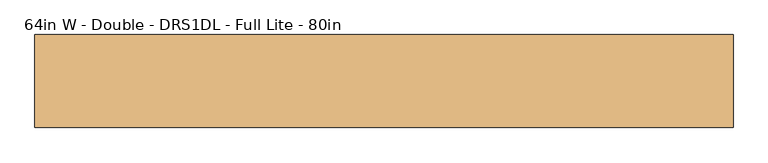
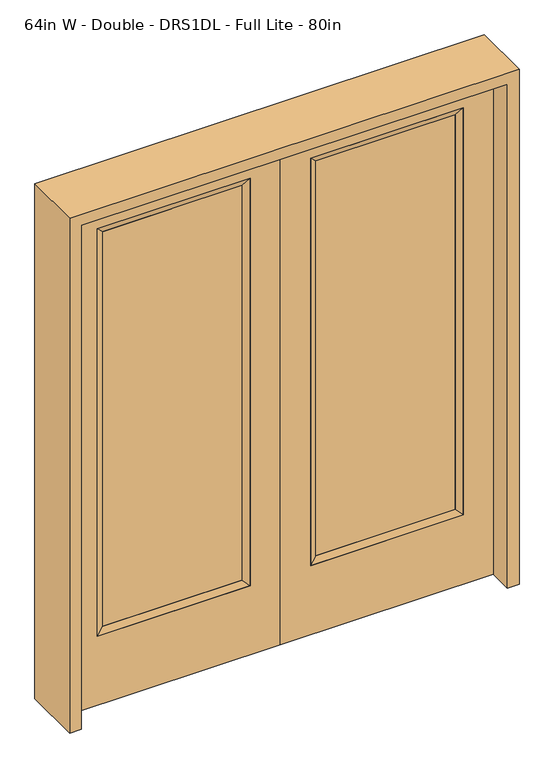
"""IFC4 building model written with IfcOpenShell, lengths in millimetres: door geometry, 64in W - Double - DRS1DL - Full Lite - 80in."""

from ifc_helpers import new_model, si_unit, frame, origin, place, context, project, spatial, polyline, outline, extrude, faceted_brep, source, transform, mapped, element, save


def door_64in_w_double_drs1dl_full_lite_80in_739a64c5(model_context):
    return source(origin(), model_context, "Body", "SolidModel", [
        extrude(outline(polyline([(140.8176, -12.7039749), (140.8176, 14.2875), (671.9824, 14.2875), (671.9824, -12.7039749), (140.8176, -12.7039749)])), frame((0.0, 0.0, 304.8), z_axis=(0.0, 0.0, 1.0), x_axis=(1.0, 0.0, 0.0)), (0.0, 0.0, 1.0), 1591.1576),
        faceted_brep([(140.8176, 14.2875, 1895.9576), (140.8176, 14.2875, 304.8), (115.4176, 22.225, 279.4), (115.4176, 22.225, 1921.3576), (115.4176, -22.225, 279.4), (115.4176, -22.225, 1921.3576), (671.9824, 14.2875, 304.8), (697.3824, 22.225, 279.4), (140.8176, -12.7039749, 1895.9576), (140.8176, -12.7039749, 304.8), (671.9824, -12.7039749, 304.8), (697.3824, -22.225, 279.4), (671.9824, 14.2875, 1895.9576), (697.3824, 22.225, 1921.3576), (671.9824, -12.7039749, 1895.9576), (697.3824, -22.225, 1921.3576)], [[[0, 1, 2, 3]], [[3, 2, 4, 5]], [[1, 6, 7, 2]], [[8, 9, 1, 0]], [[9, 10, 6, 1]], [[5, 4, 9, 8]], [[4, 11, 10, 9]], [[2, 7, 11, 4]], [[6, 12, 13, 7]], [[10, 14, 12, 6]], [[11, 15, 14, 10]], [[7, 13, 15, 11]], [[12, 0, 3, 13]], [[14, 8, 0, 12]], [[15, 5, 8, 14]], [[13, 3, 5, 15]]]),
        extrude(outline(polyline([(0.0, 812.8), (2032.0, 812.8), (2032.0, 0.0), (0.0, 0.0), (0.0, 812.8)]), holes=[polyline([(279.4, 697.3824), (279.4, 115.4176), (1921.3576, 115.4176), (1921.3576, 697.3824), (279.4, 697.3824)])]), frame((0.0, -22.225, 0.0), z_axis=(0.0, 1.0, 0.0), x_axis=(0.0, 0.0, 1.0)), (0.0, 0.0, 1.0), 44.45),
        extrude(outline(polyline([(-140.8176, -12.7039749), (-671.9824, -12.7039749), (-671.9824, 14.2875), (-140.8176, 14.2875), (-140.8176, -12.7039749)])), frame((0.0, 0.0, 304.8), z_axis=(0.0, 0.0, 1.0), x_axis=(1.0, 0.0, 0.0)), (0.0, 0.0, 1.0), 1591.1576),
        faceted_brep([(-140.8176, 14.2875, 1895.9576), (-115.4176, 22.225, 1921.3576), (-115.4176, 22.225, 279.4), (-140.8176, 14.2875, 304.8), (-115.4176, -22.225, 1921.3576), (-115.4176, -22.225, 279.4), (-697.3824, 22.225, 279.4), (-671.9824, 14.2875, 304.8), (-140.8176, -12.7039749, 1895.9576), (-140.8176, -12.7039749, 304.8), (-671.9824, -12.7039749, 304.8), (-697.3824, -22.225, 279.4), (-697.3824, 22.225, 1921.3576), (-671.9824, 14.2875, 1895.9576), (-671.9824, -12.7039749, 1895.9576), (-697.3824, -22.225, 1921.3576)], [[[0, 1, 2, 3]], [[1, 4, 5, 2]], [[3, 2, 6, 7]], [[8, 0, 3, 9]], [[9, 3, 7, 10]], [[4, 8, 9, 5]], [[5, 9, 10, 11]], [[2, 5, 11, 6]], [[7, 6, 12, 13]], [[10, 7, 13, 14]], [[11, 10, 14, 15]], [[6, 11, 15, 12]], [[13, 12, 1, 0]], [[14, 13, 0, 8]], [[15, 14, 8, 4]], [[12, 15, 4, 1]]]),
        extrude(outline(polyline([(0.0, -812.8), (0.0, 0.0), (2032.0, 0.0), (2032.0, -812.8), (0.0, -812.8)]), holes=[polyline([(279.4, -697.3824), (1921.3576, -697.3824), (1921.3576, -115.4176), (279.4, -115.4176), (279.4, -697.3824)])]), frame((0.0, -22.225, 0.0), z_axis=(0.0, 1.0, 0.0), x_axis=(0.0, 0.0, 1.0)), (0.0, 0.0, 1.0), 44.45),
        extrude(outline(polyline([(0.0, -857.25), (0.0, -812.8), (2032.0, -812.8), (2032.0, 812.8), (0.0, 812.8), (0.0, 857.25), (2076.45, 857.25), (2076.45, -857.25), (0.0, -857.25)])), frame((0.0, -114.3, 0.0), z_axis=(0.0, 1.0, 0.0), x_axis=(0.0, 0.0, 1.0)), (0.0, 0.0, 1.0), 228.6),
    ])


if __name__ == "__main__":
    model = new_model("IFC4")
    model_context = context("Model", 3, world=origin())
    ifc_project = project(units=[si_unit("LENGTHUNIT", "METRE", prefix="MILLI")], contexts=[model_context])
    site = spatial("IfcSite", under=ifc_project)
    building = spatial("IfcBuilding", under=site)
    placement = place(None, origin())
    door_64in_w_double_drs1dl_full_lite_80in_shape = door_64in_w_double_drs1dl_full_lite_80in_739a64c5(model_context)
    element("IfcDoor", 1, ObjectType="64in W - Double - DRS1DL - Full Lite - 80in", at=placement, inside=building, context=model_context, shape_type="MappedRepresentation", body=[
        mapped(door_64in_w_double_drs1dl_full_lite_80in_shape, transform((0.0, 0.0, 0.0), x_axis=(1.0, 0.0, 0.0), y_axis=(0.0, 1.0, 0.0), z_axis=(0.0, 0.0, 1.0))),
    ])
    save(model, "model.ifc")
